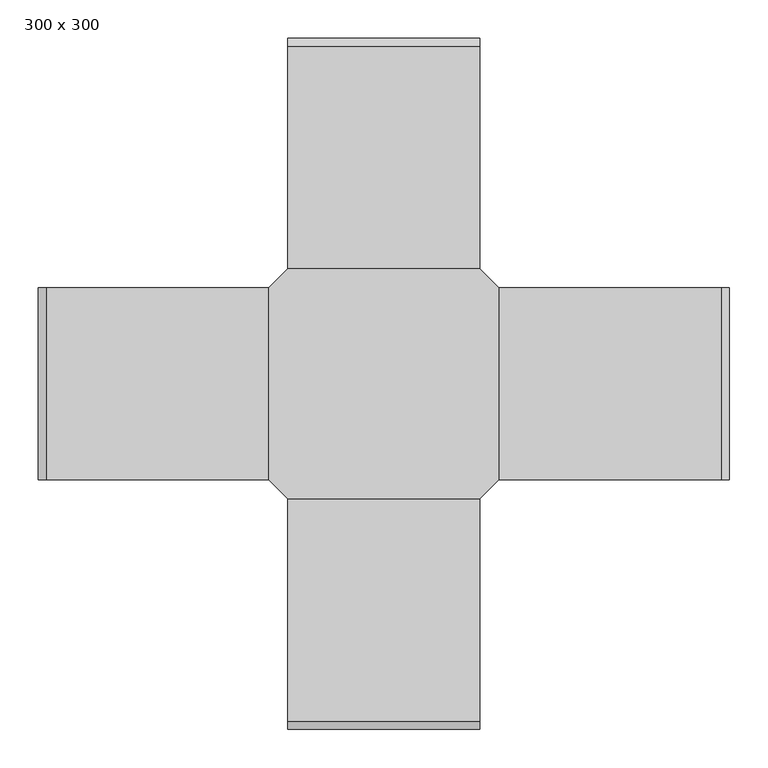
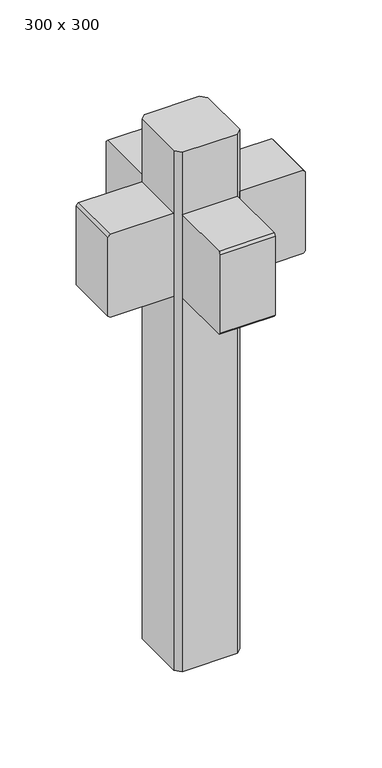
"""IFC4 building model written with IfcOpenShell, lengths in millimetres: column geometry, 300 x 300."""

from ifc_helpers import new_model, si_unit, frame, origin, place, context, project, spatial, polyline, outline, extrude, source, transform, mapped, element, save


def column_300_x_300_6ad12286(model_context):
    return source(origin(), model_context, "Body", "SweptSolid", [
        extrude(outline(polyline([(2700.0, -440.0), (2690.0, -450.0), (2310.0, -450.0), (2300.0, -440.0), (2300.0, -150.0), (2700.0, -150.0), (2700.0, -440.0)])), frame((0.0, -125.0, 0.0), z_axis=(0.0, 1.0, 0.0), x_axis=(0.0, 0.0, 1.0)), (0.0, 0.0, 1.0), 250.0),
        extrude(outline(polyline([(-440.0, 2700.0), (-150.0, 2700.0), (-150.0, 2300.0), (-440.0, 2300.0), (-450.0, 2310.0), (-450.0, 2690.0), (-440.0, 2700.0)])), frame((-125.0, 0.0, 0.0), z_axis=(1.0, 0.0, 0.0), x_axis=(0.0, 1.0, 0.0)), (0.0, 0.0, 1.0), 250.0),
        extrude(outline(polyline([(440.0, 2700.0), (450.0, 2690.0), (450.0, 2310.0), (440.0, 2300.0), (150.0, 2300.0), (150.0, 2700.0), (440.0, 2700.0)])), frame((-125.0, 0.0, 0.0), z_axis=(1.0, 0.0, 0.0), x_axis=(0.0, 1.0, 0.0)), (0.0, 0.0, 1.0), 250.0),
        extrude(outline(polyline([(2700.0, 440.0), (2700.0, 150.0), (2300.0, 150.0), (2300.0, 440.0), (2310.0, 450.0), (2690.0, 450.0), (2700.0, 440.0)])), frame((0.0, -125.0, 0.0), z_axis=(0.0, 1.0, 0.0), x_axis=(0.0, 0.0, 1.0)), (0.0, 0.0, 1.0), 250.0),
        extrude(outline(polyline([(125.0, 150.0), (150.0, 125.0), (150.0, -125.0), (125.0, -150.0), (-125.0, -150.0), (-150.0, -125.0), (-150.0, 125.0), (-125.0, 150.0), (125.0, 150.0)])), frame((0.0, 0.0, 500.0), z_axis=(0.0, 0.0, 1.0), x_axis=(1.0, 0.0, 0.0)), (0.0, 0.0, 1.0), 2500.0),
    ])


if __name__ == "__main__":
    model = new_model("IFC4")
    model_context = context("Model", 3, world=origin())
    ifc_project = project(units=[si_unit("LENGTHUNIT", "METRE", prefix="MILLI")], contexts=[model_context])
    site = spatial("IfcSite", under=ifc_project)
    building = spatial("IfcBuilding", under=site)
    placement = place(None, origin())
    column_300_x_300_shape = column_300_x_300_6ad12286(model_context)
    element("IfcColumn", 1, ObjectType="300 x 300", at=placement, inside=building, context=model_context, shape_type="MappedRepresentation", body=[
        mapped(column_300_x_300_shape, transform((0.0, 0.0, 0.0), x_axis=(1.0, 0.0, 0.0), y_axis=(0.0, 1.0, 0.0), z_axis=(0.0, 0.0, 1.0))),
    ])
    save(model, "model.ifc")
